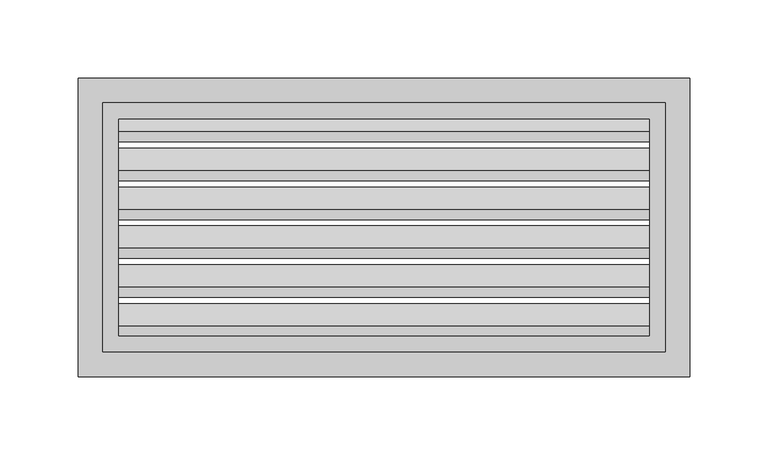
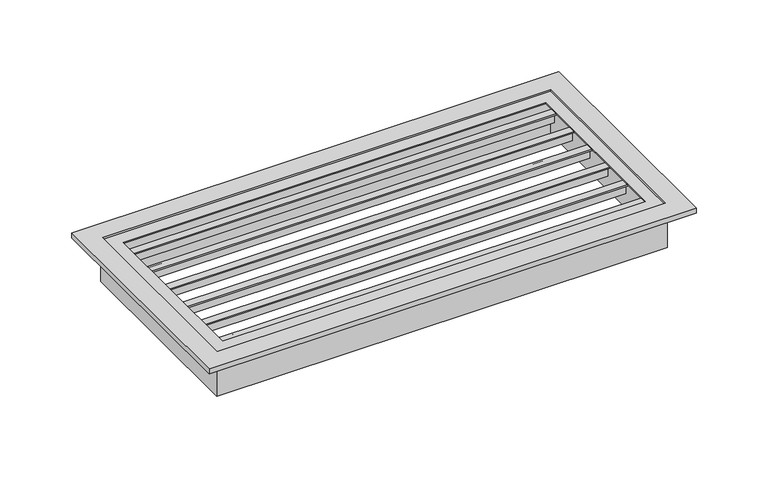
"""IFC4 building model written with IfcOpenShell, lengths in millimetres: proxy geometry."""

from ifc_helpers import new_model, si_unit, frame, origin, origin_with_axes, place, context, project, spatial, polyline, outline, extrude, source, transform, mapped, element, save


def generic_models_cb154996(model_context):
    return source(origin(), model_context, "Body", "SweptSolid", [
        extrude(outline(polyline([(-23.8585895, -20.8454091), (-24.8745895, -20.8454091), (-24.8745895, -12.7572504), (-38.6478399, 1.016), (-44.5769987, 1.016), (-44.5769987, 2.032), (-38.2269989, 2.032), (-23.8585895, -12.3364094), (-23.8585895, -20.8454091)])), frame((-179.5144826, 0.0, 0.0), z_axis=(1.0, 0.0, 0.0), x_axis=(0.0, 1.0, 0.0)), (0.0, 0.0, 1.0), 359.0289876),
        extrude(outline(polyline([(-48.6743888, -12.3364094), (-48.6743888, -20.8454091), (-49.6903888, -20.8454091), (-49.6903888, -12.7572504), (-63.4636391, 1.016), (-69.392798, 1.016), (-69.392798, 2.032), (-63.0427982, 2.032), (-48.6743888, -12.3364094)])), frame((-179.5144826, 0.0, 0.0), z_axis=(1.0, 0.0, 0.0), x_axis=(0.0, 1.0, 0.0)), (0.0, 0.0, 1.0), 359.0289876),
        extrude(outline(polyline([(0.9572098, -20.8454091), (-0.0587902, -20.8454091), (-0.0587902, -12.7572504), (-13.8320406, 1.016), (-19.7611994, 1.016), (-19.7611994, 2.032), (-13.4111996, 2.032), (0.9572098, -12.3364094), (0.9572098, -20.8454091)])), frame((-179.5144826, 0.0, 0.0), z_axis=(1.0, 0.0, 0.0), x_axis=(0.0, 1.0, 0.0)), (0.0, 0.0, 1.0), 359.0289876),
        extrude(outline(polyline([(25.773009, -20.8454091), (24.757009, -20.8454091), (24.757009, -12.7572504), (10.9837587, 1.016), (5.0545999, 1.016), (5.0545999, 2.032), (11.4045997, 2.032), (25.773009, -12.3364094), (25.773009, -20.8454091)])), frame((-179.5144826, 0.0, 0.0), z_axis=(1.0, 0.0, 0.0), x_axis=(0.0, 1.0, 0.0)), (0.0, 0.0, 1.0), 359.0289876),
        extrude(outline(polyline([(50.5888083, -20.8454091), (49.5728083, -20.8454091), (49.5728083, -12.7572504), (35.799558, 1.016), (29.8703991, 1.016), (29.8703991, 2.032), (36.2203989, 2.032), (50.5888083, -12.3364094), (50.5888083, -20.8454091)])), frame((-179.5144826, 0.0, 0.0), z_axis=(1.0, 0.0, 0.0), x_axis=(0.0, 1.0, 0.0)), (0.0, 0.0, 1.0), 359.0289876),
        extrude(outline(polyline([(75.4046076, -20.8454091), (74.3886076, -20.8454091), (74.3886076, -12.7572504), (60.6153572, 1.016), (54.6861984, 1.016), (54.6861984, 2.032), (61.0361982, 2.032), (75.4046076, -12.3364094), (75.4046076, -20.8454091)])), frame((-179.5144826, 0.0, 0.0), z_axis=(1.0, 0.0, 0.0), x_axis=(0.0, 1.0, 0.0)), (0.0, 0.0, 1.0), 359.0289876),
        extrude(outline(polyline([(-180.5304826, 80.5179977), (180.530505, 80.5179977), (180.530505, -80.5179977), (-180.5304826, -80.5179977), (-180.5304826, 80.5179977)]), holes=[polyline([(179.514505, 79.5019977), (-179.5144826, 79.5019977), (-179.5144826, -79.5019977), (179.514505, -79.5019977), (179.514505, 79.5019977)])]), frame((0.0, 0.0, -33.274), z_axis=(0.0, 0.0, 1.0), x_axis=(1.0, 0.0, 0.0)), (0.0, 0.0, 1.0), 33.274),
        extrude(outline(polyline([(-195.2625066, 95.2499993), (195.2625066, 95.2499993), (195.2625066, -95.2499993), (-195.2625066, -95.2499993), (-195.2625066, 95.2499993)]), holes=[polyline([(179.514505, 79.5019977), (-179.5144826, 79.5019977), (-179.5144826, -79.5019977), (179.514505, -79.5019977), (179.514505, 79.5019977)])]), origin_with_axes(), (0.0, 0.0, 1.0), 4.064),
        extrude(outline(polyline([(179.514505, 79.5019977), (179.514505, -79.5019977), (-179.5144826, -79.5019977), (-179.5144826, 79.5019977), (179.514505, 79.5019977)]), holes=[polyline([(-169.3544835, 68.9389892), (-169.3544835, -69.3419985), (169.3545021, -69.3419985), (169.3545021, 68.9389892), (-169.3544835, 68.9389892)])]), frame((0.0, 0.0, 2.032), z_axis=(0.0, 0.0, 1.0), x_axis=(1.0, 0.0, 0.0)), (0.0, 0.0, 1.0), 1.016),
    ])


if __name__ == "__main__":
    model = new_model("IFC4")
    model_context = context("Model", 3, world=origin())
    ifc_project = project(units=[si_unit("LENGTHUNIT", "METRE", prefix="MILLI")], contexts=[model_context])
    site = spatial("IfcSite", under=ifc_project)
    building = spatial("IfcBuilding", under=site)
    placement = place(None, origin())
    generic_models_shape = generic_models_cb154996(model_context)
    element("IfcBuildingElementProxy", 1, Name="Generic Models", at=placement, inside=building, context=model_context, shape_type="MappedRepresentation", body=[
        mapped(generic_models_shape, transform((0.0, 0.0, 0.0), x_axis=(1.0, 0.0, 0.0), y_axis=(0.0, 1.0, 0.0), z_axis=(0.0, 0.0, 1.0))),
    ])
    save(model, "model.ifc")
